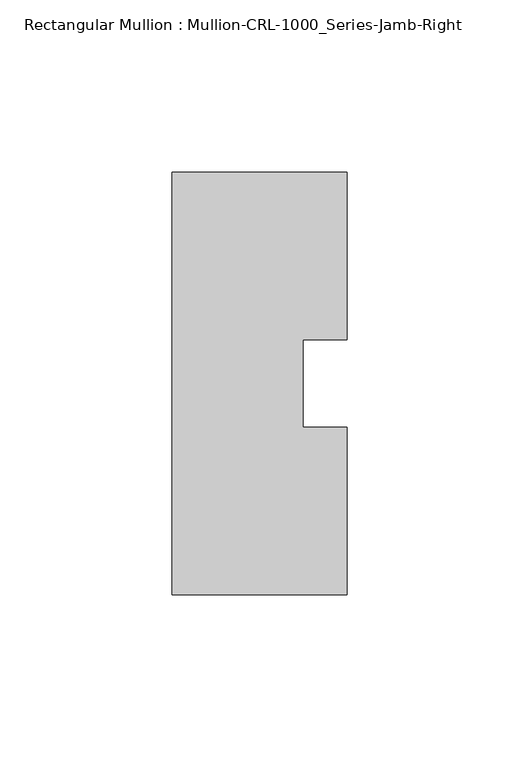
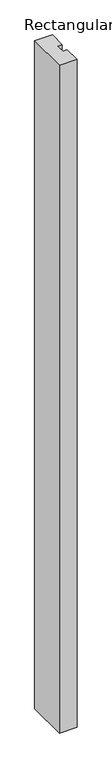
"""IFC4 building model written with IfcOpenShell, lengths in millimetres: member geometry, Rectangular Mullion : Mullion-CRL-1000_Series-Jamb-Right."""

from ifc_helpers import new_model, si_unit, frame, origin, place, context, project, spatial, polyline, outline, extrude, source, transform, mapped, element, save


def rectangular_mullion_mullion_crl_1000_series_jamb_right_ea02d198(model_context):
    return source(origin(), model_context, "Body", "SweptSolid", [
        extrude(outline(polyline([(25.4, 61.339347), (25.4, 12.7), (12.7000532, 12.7), (12.7000532, -12.7), (25.4, -12.7), (25.4, -61.339347), (-25.4, -61.339347), (-25.4, 61.339347), (25.4, 61.339347)])), frame((0.0, 0.0, -2032.0), z_axis=(0.0, 0.0, 1.0), x_axis=(1.0, 0.0, 0.0)), (0.0, 0.0, 1.0), 2032.0),
    ])


if __name__ == "__main__":
    model = new_model("IFC4")
    model_context = context("Model", 3, world=origin())
    ifc_project = project(units=[si_unit("LENGTHUNIT", "METRE", prefix="MILLI")], contexts=[model_context])
    site = spatial("IfcSite", under=ifc_project)
    building = spatial("IfcBuilding", under=site)
    placement = place(None, origin())
    rectangular_mullion_mullion_crl_1000_series_jamb_right_shape = rectangular_mullion_mullion_crl_1000_series_jamb_right_ea02d198(model_context)
    element("IfcMember", 1, ObjectType="Rectangular Mullion : Mullion-CRL-1000_Series-Jamb-Right", at=placement, inside=building, context=model_context, shape_type="MappedRepresentation", body=[
        mapped(rectangular_mullion_mullion_crl_1000_series_jamb_right_shape, transform((0.0, 0.0, 0.0), x_axis=(1.0, 0.0, 0.0), y_axis=(0.0, 1.0, 0.0), z_axis=(0.0, 0.0, 1.0))),
    ])
    save(model, "model.ifc")
